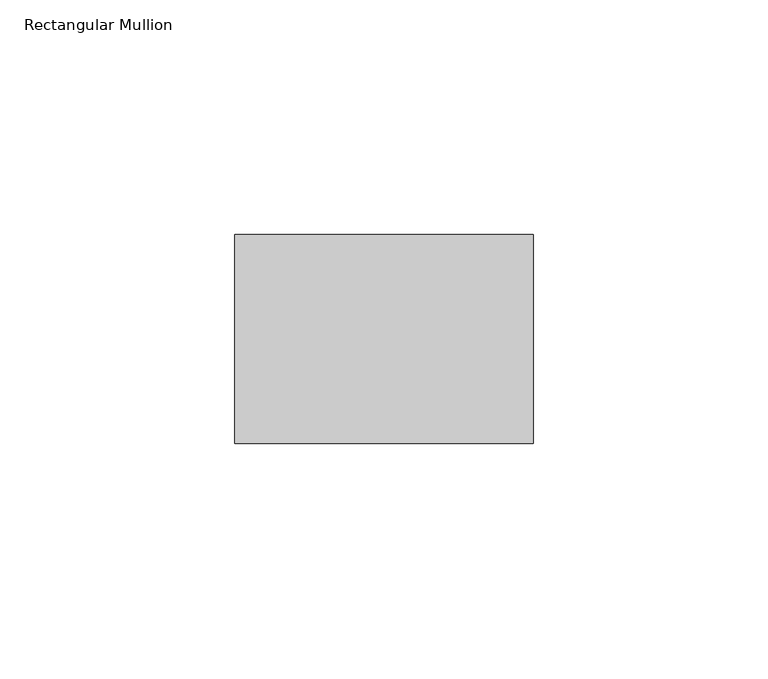
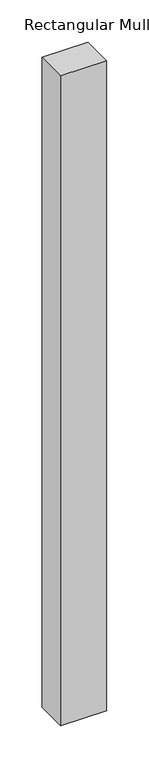
"""IFC4 building model written with IfcOpenShell, lengths in millimetres: member geometry, Rectangular Mullion."""

from ifc_helpers import new_model, si_unit, frame, origin, place, context, project, spatial, polyline, outline, extrude, source, transform, mapped, element, save


def rectangular_mullion_2aab63ec(model_context):
    return source(origin(), model_context, "Body", "SweptSolid", [
        extrude(outline(polyline([(0.0, 22.225), (0.0, -22.225), (-63.5, -22.225), (-63.5, 22.225), (0.0, 22.225)])), frame((0.0, 0.0, -943.5041667), z_axis=(0.0, 0.0, 1.0), x_axis=(1.0, 0.0, 0.0)), (0.0, 0.0, 1.0), 943.5041667),
    ])


if __name__ == "__main__":
    model = new_model("IFC4")
    model_context = context("Model", 3, world=origin())
    ifc_project = project(units=[si_unit("LENGTHUNIT", "METRE", prefix="MILLI")], contexts=[model_context])
    site = spatial("IfcSite", under=ifc_project)
    building = spatial("IfcBuilding", under=site)
    placement = place(None, origin())
    rectangular_mullion_shape = rectangular_mullion_2aab63ec(model_context)
    element("IfcMember", 1, ObjectType="Rectangular Mullion", at=placement, inside=building, context=model_context, shape_type="MappedRepresentation", body=[
        mapped(rectangular_mullion_shape, transform((0.0, 0.0, 0.0), x_axis=(1.0, 0.0, 0.0), y_axis=(0.0, 1.0, 0.0), z_axis=(0.0, 0.0, 1.0))),
    ])
    save(model, "model.ifc")
